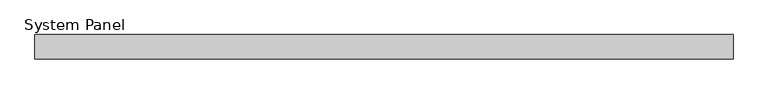
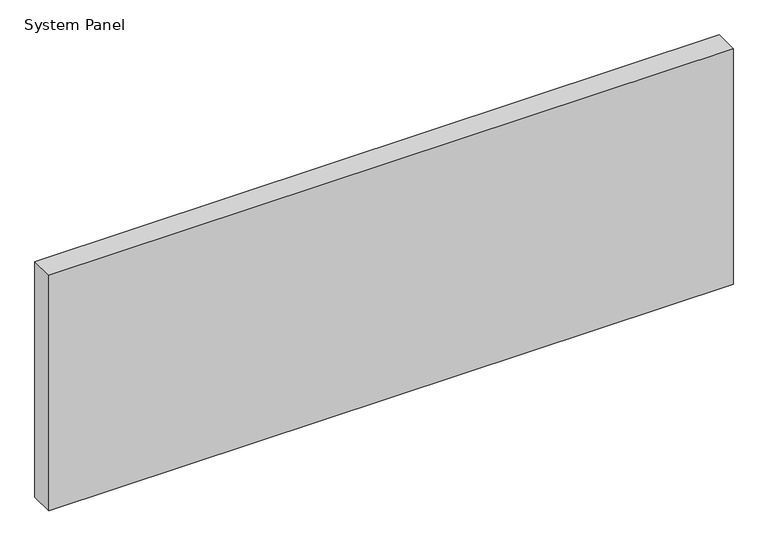
"""IFC4 building model written with IfcOpenShell, lengths in millimetres: plate geometry, System Panel."""

from ifc_helpers import new_model, si_unit, origin, origin_with_axes, place, context, project, spatial, polyline, outline, extrude, source, transform, mapped, element, save


def system_panel_3cbbd021(model_context):
    return source(origin(), model_context, "Body", "SweptSolid", [
        extrude(outline(polyline([(570.0, -54.0), (-570.0, -54.0), (-570.0, -14.0), (570.0, -14.0), (570.0, -54.0)])), origin_with_axes(), (0.0, 0.0, 1.0), 415.0),
    ])


if __name__ == "__main__":
    model = new_model("IFC4")
    model_context = context("Model", 3, world=origin())
    ifc_project = project(units=[si_unit("LENGTHUNIT", "METRE", prefix="MILLI")], contexts=[model_context])
    site = spatial("IfcSite", under=ifc_project)
    building = spatial("IfcBuilding", under=site)
    placement = place(None, origin())
    system_panel_shape = system_panel_3cbbd021(model_context)
    element("IfcPlate", 1, ObjectType="System Panel", at=placement, inside=building, context=model_context, shape_type="MappedRepresentation", body=[
        mapped(system_panel_shape, transform((0.0, 0.0, 0.0), x_axis=(1.0, 0.0, 0.0), y_axis=(0.0, 1.0, 0.0), z_axis=(0.0, 0.0, 1.0))),
    ])
    save(model, "model.ifc")
